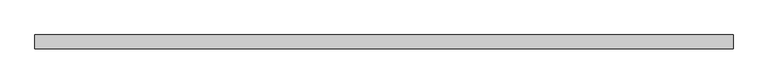
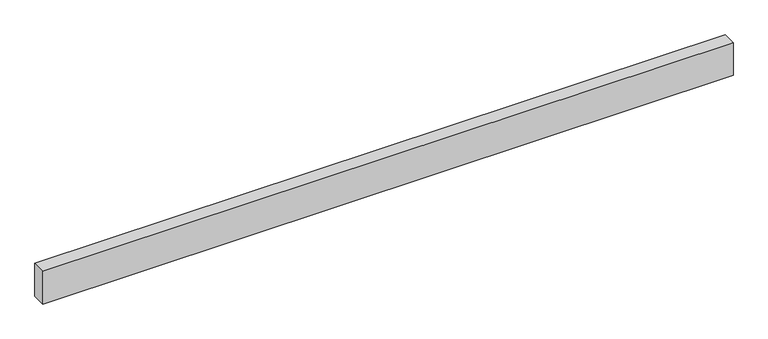
"""IFC4 building model written with IfcOpenShell, lengths in millimetres: proxy geometry."""

from ifc_helpers import new_model, si_unit, origin, origin_with_axes, place, context, project, spatial, polyline, outline, extrude, source, transform, mapped, element, save


def generic_models_95f40581(model_context):
    return source(origin(), model_context, "Body", "SweptSolid", [
        extrude(outline(polyline([(10000.0, 200.0), (10000.0, 0.0), (0.0, 0.0), (0.0, 200.0), (10000.0, 200.0)])), origin_with_axes(), (0.0, 0.0, 1.0), 500.0),
    ])


if __name__ == "__main__":
    model = new_model("IFC4")
    model_context = context("Model", 3, world=origin())
    ifc_project = project(units=[si_unit("LENGTHUNIT", "METRE", prefix="MILLI")], contexts=[model_context])
    site = spatial("IfcSite", under=ifc_project)
    building = spatial("IfcBuilding", under=site)
    placement = place(None, origin())
    generic_models_shape = generic_models_95f40581(model_context)
    element("IfcBuildingElementProxy", 1, Name="Generic Models", at=placement, inside=building, context=model_context, shape_type="MappedRepresentation", body=[
        mapped(generic_models_shape, transform((0.0, 0.0, 0.0), x_axis=(1.0, 0.0, 0.0), y_axis=(0.0, 1.0, 0.0), z_axis=(0.0, 0.0, 1.0))),
    ])
    save(model, "model.ifc")
